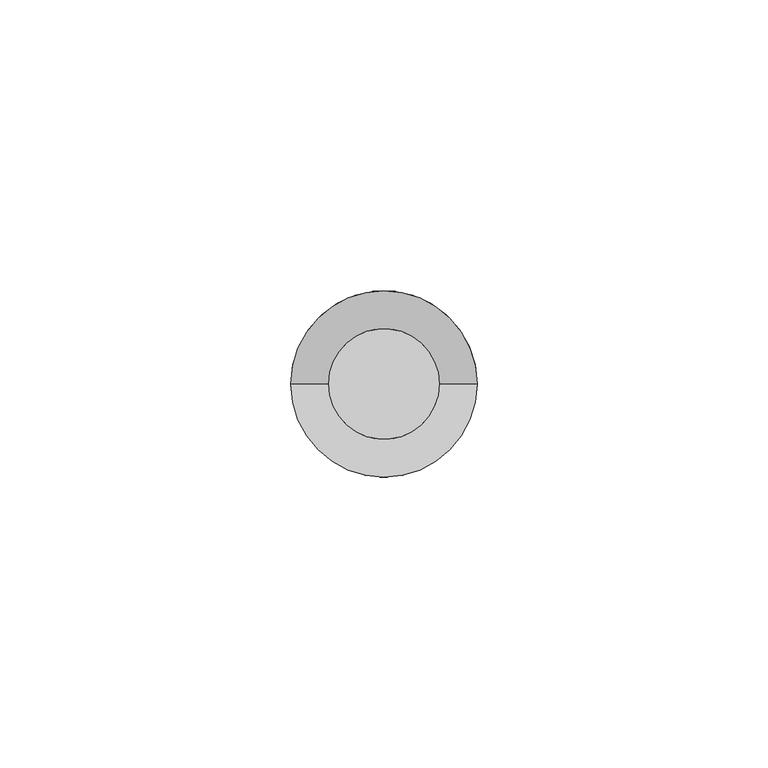
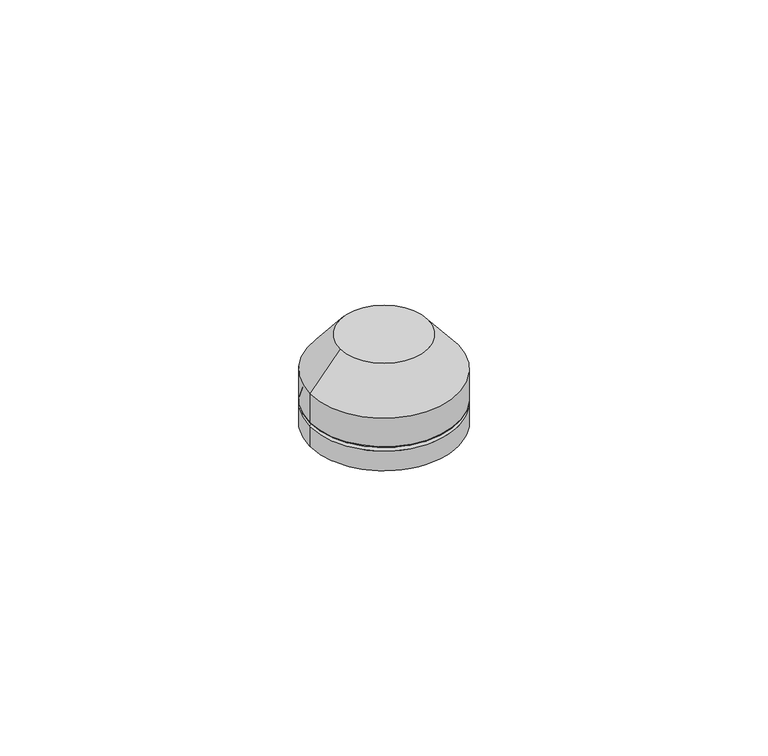
"""IFC4 building model written with IfcOpenShell, lengths in millimetres: proxy geometry."""

from ifc_helpers import new_model, si_unit, point, frame, origin, origin_with_axes, place, context, project, spatial, polyline, circle_curve, ellipse_curve, trimmed, source, transform, mapped, element, save
from ifc_brep_helpers import plane_surface, cylinder_surface, revolved_surface, advanced_brep


def generic_models_f4bcca9d(model_context):
    return source(origin(), model_context, "Body", "AdvancedBrep", [
        advanced_brep(
        [(15.4846932, 0.0, 5.0), (-15.4846932, 0.0, 5.0), (-16.0, 0.0, 0.0), (16.0, 0.0, 0.0), (-16.0, 0.0, 4.484693), (16.0, 0.0, 4.4846932)],
        [
            (0, 1, circle_curve(frame((0.0, 0.0, 5.0), z_axis=(0.0, 0.0, 1.0), x_axis=(1.0, 0.0, 0.0)), 15.4846932)),
            (1, 0, circle_curve(frame((0.0, 0.0, 5.0), z_axis=(0.0, 0.0, 1.0), x_axis=(1.0, 0.0, 0.0)), 15.4846932)),
            (2, 3, circle_curve(frame((0.0, 0.0, 0.0), z_axis=(0.0, 0.0, -1.0), x_axis=(1.0, 0.0, 0.0)), 16.0)),
            (3, 2, circle_curve(frame((0.0, 0.0, 0.0), z_axis=(0.0, 0.0, -1.0), x_axis=(1.0, 0.0, 0.0)), 16.0)),
            (2, 4),
            (4, 5, circle_curve(frame((0.0, 0.0, 4.4846932), z_axis=(0.0, 0.0, -1.0), x_axis=(1.0, 0.0, 0.0)), 16.0)),
            (5, 3),
            (5, 4, circle_curve(frame((0.0, 0.0, 4.4846932), z_axis=(0.0, 0.0, -1.0), x_axis=(1.0, 0.0, 0.0)), 16.0)),
            (5, 0, circle_curve(frame((15.4846932, 0.0, 4.4846932), z_axis=(0.0, -1.0, 0.0), x_axis=(1.0, 0.0, 0.0)), 0.5153068)),
            (1, 4, circle_curve(frame((-15.4846932, 0.0, 4.4846932), z_axis=(0.0, -1.0, 0.0), x_axis=(-1.0, 0.0, 0.0)), 0.5153068)),
        ],
        [
            plane_surface(frame((16.0, 0.0, 5.0), z_axis=(0.0, 0.0, 1.0), x_axis=(0.0, -1.0, 0.0))),
            plane_surface(frame((16.0, 0.0, 0.0), z_axis=(0.0, 0.0, -1.0), x_axis=(0.0, 1.0, 0.0))),
            cylinder_surface(origin_with_axes(), 16.0),
            revolved_surface(trimmed(ellipse_curve(frame((15.4846932, 0.0, 4.4846932), z_axis=(0.0, -1.0, 0.0), x_axis=(1.0, 0.0, 0.0)), 0.5153068, 0.5153068), [point((16.0, 0.0, 4.4846932))], [point((15.4846932, 0.0, 5.0))], True, "CARTESIAN"), (0.0, 0.0, 2215.3150031), (0.0, 0.0, 1.0)),
        ],
        [
            (0, [[1, 2]]),
            (1, [[3, 4]]),
            (2, [[5, 6, 7, -3]]),
            (2, [[-7, 8, -5, -4]]),
            (3, [[-8, 9, -2, 10]]),
            (3, [[-1, -9, -6, -10]]),
        ],
    ),
        advanced_brep(
        [(-15.4846932, 0.0, 5.0), (15.4846932, 0.0, 5.0), (16.0, 0.0, 12.0), (16.0, 0.0, 5.5153068), (-16.0, 0.0, 5.5153068), (-16.0, 0.0, 12.0), (-9.5, 0.0, 20.0), (9.5, 0.0, 20.0)],
        [
            (0, 1, circle_curve(frame((0.0, 0.0, 5.0), z_axis=(0.0, 0.0, -1.0), x_axis=(1.0, 0.0, 0.0)), 15.4846932)),
            (1, 0, circle_curve(frame((0.0, 0.0, 5.0), z_axis=(0.0, 0.0, -1.0), x_axis=(1.0, 0.0, 0.0)), 15.4846932)),
            (2, 3),
            (3, 4, circle_curve(frame((0.0, 0.0, 5.5153068), z_axis=(0.0, 0.0, 1.0), x_axis=(1.0, 0.0, 0.0)), 16.0)),
            (4, 5),
            (5, 2, circle_curve(frame((0.0, 0.0, 12.0), z_axis=(0.0, 0.0, -1.0), x_axis=(1.0, 0.0, 0.0)), 16.0)),
            (4, 3, circle_curve(frame((0.0, 0.0, 5.5153068), z_axis=(0.0, 0.0, 1.0), x_axis=(1.0, 0.0, 0.0)), 16.0)),
            (2, 5, circle_curve(frame((0.0, 0.0, 12.0), z_axis=(0.0, 0.0, -1.0), x_axis=(1.0, 0.0, 0.0)), 16.0)),
            (6, 7, circle_curve(frame((0.0, 0.0, 20.0), z_axis=(0.0, 0.0, 1.0), x_axis=(1.0, 0.0, 0.0)), 9.5)),
            (7, 6, circle_curve(frame((0.0, 0.0, 20.0), z_axis=(0.0, 0.0, 1.0), x_axis=(-1.0, 0.0, 0.0)), 9.5)),
            (7, 2),
            (5, 6),
            (1, 3, circle_curve(frame((15.4846932, 0.0, 5.5153068), z_axis=(0.0, -1.0, 0.0), x_axis=(1.0, 0.0, 0.0)), 0.5153068)),
            (4, 0, circle_curve(frame((-15.4846932, 0.0, 5.5153068), z_axis=(0.0, -1.0, 0.0), x_axis=(-1.0, 0.0, 0.0)), 0.5153068)),
        ],
        [
            plane_surface(frame((16.0, 0.0, 5.0), z_axis=(0.0, 0.0, -1.0), x_axis=(0.0, 1.0, 0.0))),
            cylinder_surface(frame((0.0, 0.0, 5.0), z_axis=(0.0, 0.0, 1.0), x_axis=(1.0, 0.0, 0.0)), 16.0),
            plane_surface(frame((0.0, 0.0, 20.0), z_axis=(0.0, 0.0, 1.0), x_axis=(0.0, 1.0, 0.0))),
            revolved_surface(polyline([(9.500000002539062, 0.0, 20.0), (16.0, 0.0, 12.0)]), (0.0, 0.0, 31.6923077), (0.0, 0.0, -1.0)),
            revolved_surface(polyline([(-9.500000002539062, 0.0, 20.0), (-16.0, 0.0, 12.0)]), (0.0, 0.0, 31.6923077), (0.0, 0.0, -1.0)),
            revolved_surface(trimmed(ellipse_curve(frame((15.4846932, 0.0, 5.5153068), z_axis=(0.0, -1.0, 0.0), x_axis=(1.0, 0.0, 0.0)), 0.5153068, 0.5153068), [point((15.4846932, 0.0, 5.0))], [point((16.0, 0.0, 5.5153068))], True, "CARTESIAN"), (0.0, 0.0, 2215.3150031), (0.0, 0.0, 1.0)),
        ],
        [
            (0, [[1, 2]]),
            (1, [[3, 4, 5, 6]]),
            (1, [[-5, 7, -3, 8]]),
            (2, [[9, 10]]),
            (3, [[11, -6, 12, -10]]),
            (4, [[-12, -8, -11, -9]]),
            (5, [[-2, 13, -7, 14]]),
            (5, [[-4, -13, -1, -14]]),
        ],
    ),
    ])


if __name__ == "__main__":
    model = new_model("IFC4")
    model_context = context("Model", 3, world=origin())
    ifc_project = project(units=[si_unit("LENGTHUNIT", "METRE", prefix="MILLI")], contexts=[model_context])
    site = spatial("IfcSite", under=ifc_project)
    building = spatial("IfcBuilding", under=site)
    placement = place(None, origin())
    generic_models_shape = generic_models_f4bcca9d(model_context)
    element("IfcBuildingElementProxy", 1, Name="Generic Models", at=placement, inside=building, context=model_context, shape_type="MappedRepresentation", body=[
        mapped(generic_models_shape, transform((0.0, 0.0, 0.0), x_axis=(1.0, 0.0, 0.0), y_axis=(0.0, 1.0, 0.0), z_axis=(0.0, 0.0, 1.0))),
    ])
    save(model, "model.ifc")
